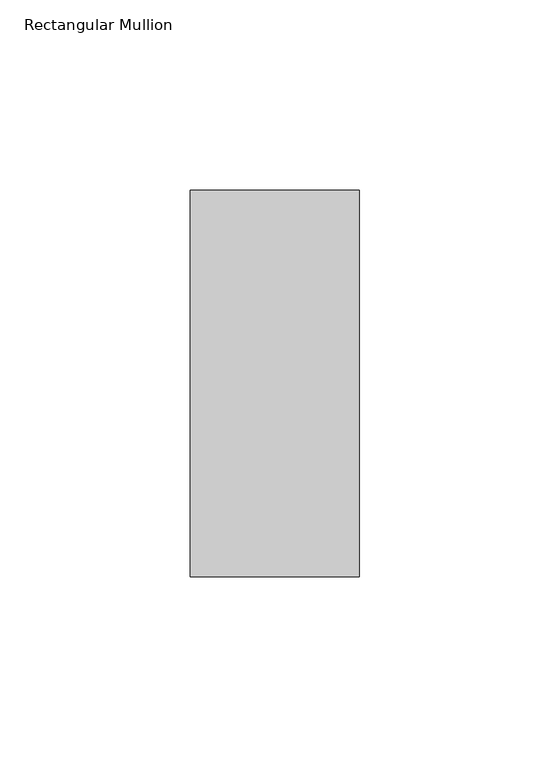
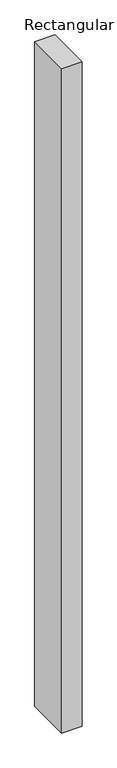
"""IFC4 building model written with IfcOpenShell, lengths in millimetres: member geometry, Rectangular Mullion."""

from ifc_helpers import new_model, si_unit, frame, origin, place, context, project, spatial, polyline, outline, extrude, source, transform, mapped, element, save


def rectangular_mullion_dda7ab02(model_context):
    return source(origin(), model_context, "Body", "SweptSolid", [
        extrude(outline(polyline([(22.223095, 50.8), (22.223095, -50.8), (-22.223095, -50.8), (-22.223095, 50.8), (22.223095, 50.8)])), frame((0.0, 0.0, -1524.0), z_axis=(0.0, 0.0, 1.0), x_axis=(1.0, 0.0, 0.0)), (0.0, 0.0, 1.0), 1524.0),
    ])


if __name__ == "__main__":
    model = new_model("IFC4")
    model_context = context("Model", 3, world=origin())
    ifc_project = project(units=[si_unit("LENGTHUNIT", "METRE", prefix="MILLI")], contexts=[model_context])
    site = spatial("IfcSite", under=ifc_project)
    building = spatial("IfcBuilding", under=site)
    placement = place(None, origin())
    rectangular_mullion_shape = rectangular_mullion_dda7ab02(model_context)
    element("IfcMember", 1, ObjectType="Rectangular Mullion", at=placement, inside=building, context=model_context, shape_type="MappedRepresentation", body=[
        mapped(rectangular_mullion_shape, transform((0.0, 0.0, 0.0), x_axis=(1.0, 0.0, 0.0), y_axis=(0.0, 1.0, 0.0), z_axis=(0.0, 0.0, 1.0))),
    ])
    save(model, "model.ifc")
